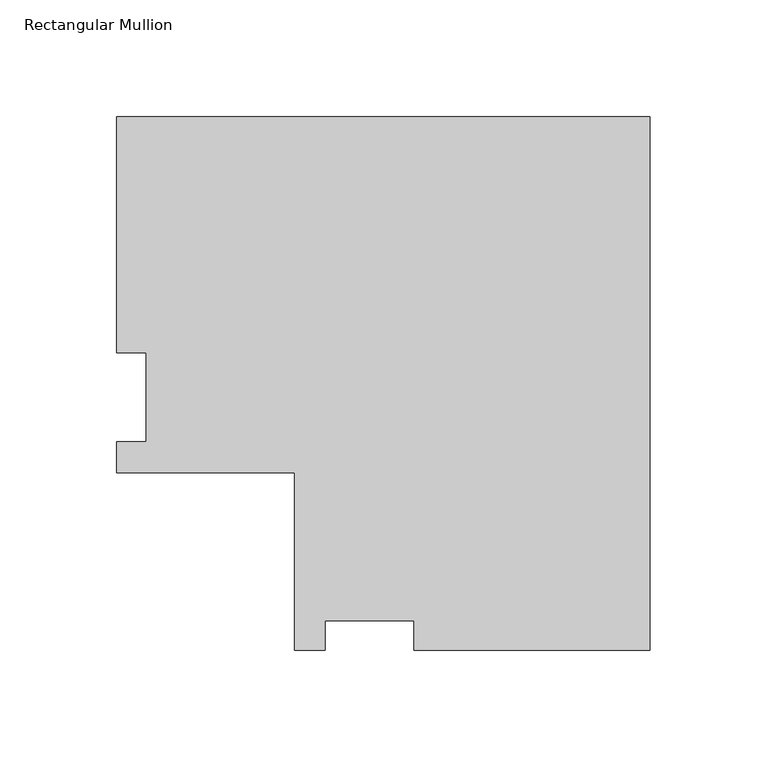
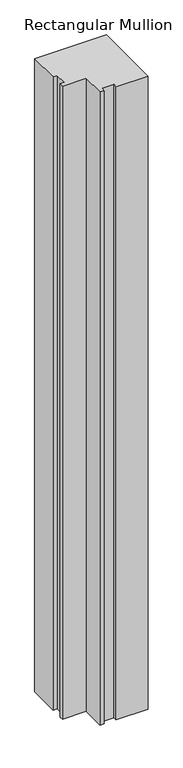
"""IFC4 building model written with IfcOpenShell, lengths in millimetres: member geometry, Rectangular Mullion."""

from ifc_helpers import new_model, si_unit, frame, origin, place, context, project, spatial, polyline, outline, extrude, source, transform, mapped, element, save


def rectangular_mullion_fd7ef184(model_context):
    return source(origin(), model_context, "Body", "SweptSolid", [
        extrude(outline(polyline([(0.0, -76.1865063), (-101.1936, -76.1865063), (-101.1936, -63.4865063), (-139.2936, -63.4865063), (-139.2936, -76.1865063), (-152.4762, -76.1865063), (-152.4762, 0.0134937), (-228.6762, 0.0134937), (-228.6762, 13.1960937), (-215.9762, 13.1960937), (-215.9762, 51.2960938), (-228.6762, 51.2960938), (-228.6762, 152.4896938), (0.0, 152.4896938), (0.0, -76.1865063)])), frame((0.0, 0.0, -2133.6), z_axis=(0.0, 0.0, 1.0), x_axis=(1.0, 0.0, 0.0)), (0.0, 0.0, 1.0), 2133.6),
    ])


if __name__ == "__main__":
    model = new_model("IFC4")
    model_context = context("Model", 3, world=origin())
    ifc_project = project(units=[si_unit("LENGTHUNIT", "METRE", prefix="MILLI")], contexts=[model_context])
    site = spatial("IfcSite", under=ifc_project)
    building = spatial("IfcBuilding", under=site)
    placement = place(None, origin())
    rectangular_mullion_shape = rectangular_mullion_fd7ef184(model_context)
    element("IfcMember", 1, ObjectType="Rectangular Mullion", at=placement, inside=building, context=model_context, shape_type="MappedRepresentation", body=[
        mapped(rectangular_mullion_shape, transform((0.0, 0.0, 0.0), x_axis=(1.0, 0.0, 0.0), y_axis=(0.0, 1.0, 0.0), z_axis=(0.0, 0.0, 1.0))),
    ])
    save(model, "model.ifc")
